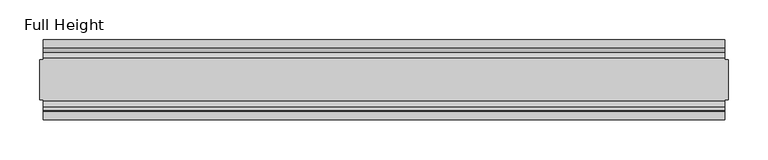
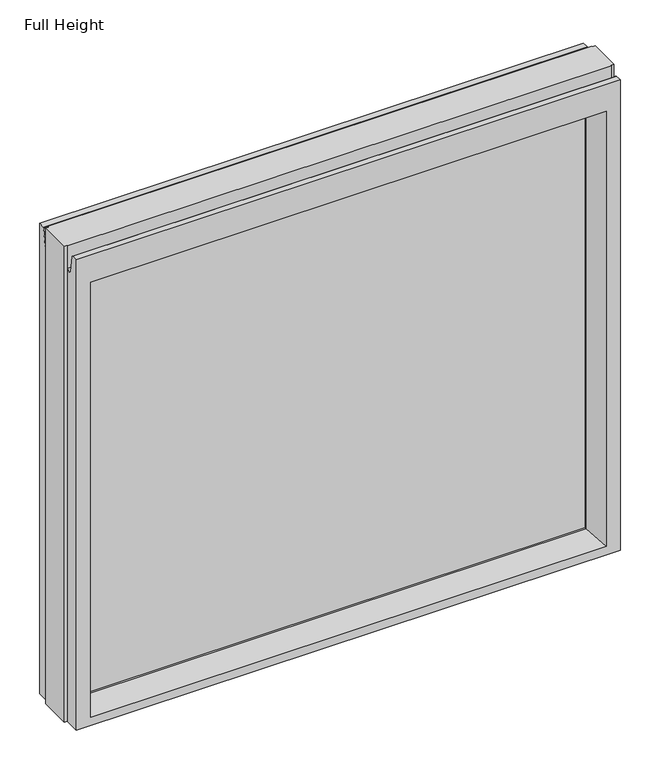
"""IFC4 building model written with IfcOpenShell, lengths in millimetres: plate geometry, Full Height."""

from ifc_helpers import new_model, si_unit, frame, origin, place, context, project, spatial, polyline, circle_curve, outline, extrude, source, transform, mapped, element, save
from ifc_brep_helpers import plane_surface, cylinder_surface, revolved_surface, advanced_brep


def full_height_09c7e475(model_context):
    return source(origin(), model_context, "Body", "SolidModel", [
        advanced_brep(
        [(427.228, -50.0, 0.0), (-427.228, -50.0, 0.0), (-427.228, -25.146, 0.0), (-431.8, -25.146, 0.0), (-431.8, 25.146, 0.0), (-427.228, 25.146, 0.0), (-427.228, 50.0, 0.0), (427.228, 50.0, 0.0), (427.228, 25.146, 0.0), (431.8, 25.146, 0.0), (431.8, -25.146, 0.0), (427.228, -25.146, 0.0), (431.8, -25.146, 789.94), (431.8, 25.146, 789.94), (427.228, 25.146, 789.94), (427.228, 26.67, 789.94), (-427.228, 26.67, 789.94), (-427.228, 25.146, 789.94), (-431.8, 25.146, 789.94), (-431.8, -25.146, 789.94), (-427.228, -25.146, 789.94), (-427.228, -26.67, 789.94), (427.228, -26.67, 789.94), (427.228, -25.146, 789.94), (-427.228, -26.67, 752.729), (427.228, -26.67, 752.729), (-427.228, 26.67, 752.729), (-427.228, 34.2321175, 752.0674004), (-427.228, 39.1867152, 780.1663199), (-427.228, 39.9371387, 780.796), (-427.228, 50.0, 780.796), (-427.228, -50.0, 780.796), (-427.228, -39.9371387, 780.796), (-427.228, -39.1867152, 780.1663199), (-427.228, -34.2321175, 752.0674004), (427.228, 50.0, 780.796), (-405.13, 50.0, 736.219), (-405.13, 50.0, 13.9954), (405.13, 50.0, 13.9954), (405.13, 50.0, 736.219), (427.228, -50.0, 780.796), (-405.13, -50.0, 13.9954), (-405.13, -50.0, 736.219), (405.13, -50.0, 736.219), (405.13, -50.0, 13.9954), (-399.161, 6.1006519, 730.25), (-399.161, 6.1006519, 18.3896), (-399.161, -6.1006519, 18.3896), (-399.161, -6.1006519, 730.25), (399.161, -6.1006519, 730.25), (399.161, -6.1006519, 18.3896), (399.161, 6.1006519, 730.25), (399.161, 6.1006519, 18.3896), (427.228, -34.2321175, 752.0674004), (427.228, -39.1867152, 780.1663199), (427.228, -39.9371387, 780.796), (427.228, 39.9371387, 780.796), (427.228, 39.1867152, 780.1663199), (427.228, 34.2321175, 752.0674004), (427.228, 26.67, 752.729)],
        [
            (0, 1),
            (1, 2),
            (2, 3),
            (3, 4),
            (4, 5),
            (5, 6),
            (6, 7),
            (7, 8),
            (8, 9),
            (9, 10),
            (10, 11),
            (11, 0),
            (12, 13),
            (13, 14),
            (14, 15),
            (15, 16),
            (16, 17),
            (17, 18),
            (18, 19),
            (19, 20),
            (20, 21),
            (21, 22),
            (22, 23),
            (23, 12),
            (10, 12),
            (23, 11),
            (13, 9),
            (8, 14),
            (18, 4),
            (3, 19),
            (17, 5),
            (2, 20),
            (24, 25),
            (25, 22),
            (21, 24),
            (16, 26),
            (26, 27, circle_curve(frame((-427.228, 30.48, 752.729), z_axis=(1.0, 0.0, 0.0), x_axis=(0.0, 1.0, 0.0)), 3.81)),
            (27, 28),
            (28, 29, circle_curve(frame((-427.228, 39.9371387, 780.034), z_axis=(-1.0, 0.0, 0.0), x_axis=(0.0, 1.0, 0.0)), 0.762)),
            (29, 30),
            (30, 6),
            (1, 31),
            (31, 32),
            (32, 33, circle_curve(frame((-427.228, -39.9371387, 780.034), z_axis=(-1.0, 0.0, 0.0), x_axis=(0.0, 1.0, 0.0)), 0.762)),
            (33, 34),
            (34, 24, circle_curve(frame((-427.228, -30.48, 752.729), z_axis=(1.0, 0.0, 0.0), x_axis=(0.0, 1.0, 0.0)), 3.81)),
            (30, 35),
            (35, 7),
            (36, 37),
            (37, 38),
            (38, 39),
            (39, 36),
            (0, 40),
            (40, 31),
            (41, 42),
            (42, 43),
            (43, 44),
            (44, 41),
            (36, 45),
            (45, 46),
            (46, 37),
            (41, 47),
            (47, 48),
            (48, 42),
            (43, 49),
            (49, 50),
            (50, 44),
            (51, 39),
            (38, 52),
            (52, 51),
            (25, 53, circle_curve(frame((427.228, -30.48, 752.729), z_axis=(-1.0, 0.0, 0.0), x_axis=(0.0, 1.0, 0.0)), 3.81)),
            (53, 54),
            (54, 55, circle_curve(frame((427.228, -39.9371387, 780.034), z_axis=(1.0, 0.0, 0.0), x_axis=(0.0, 1.0, 0.0)), 0.762)),
            (55, 40),
            (35, 56),
            (56, 57, circle_curve(frame((427.228, 39.9371387, 780.034), z_axis=(1.0, 0.0, 0.0), x_axis=(0.0, 1.0, 0.0)), 0.762)),
            (57, 58),
            (58, 59, circle_curve(frame((427.228, 30.48, 752.729), z_axis=(-1.0, 0.0, 0.0), x_axis=(0.0, 1.0, 0.0)), 3.81)),
            (59, 15),
            (55, 32),
            (29, 56),
            (59, 26),
            (51, 45),
            (33, 54),
            (53, 34),
            (28, 57),
            (27, 58),
            (46, 52),
            (50, 47),
            (48, 49),
            (51, 49),
            (48, 45),
            (46, 47),
            (50, 52),
        ],
        [
            plane_surface(frame((-427.228, 50.0, 0.0), z_axis=(0.0, 0.0, -1.0), x_axis=(0.0, -1.0, 0.0))),
            plane_surface(frame((427.228, -25.146, 789.94), z_axis=(0.0, 0.0, 1.0), x_axis=(-1.0, 0.0, 0.0))),
            plane_surface(frame((431.8, -25.146, 789.94), z_axis=(0.0, -1.0, 0.0), x_axis=(0.0, 0.0, -1.0))),
            plane_surface(frame((427.228, 25.146, 789.94), z_axis=(0.0, 1.0, 0.0), x_axis=(0.0, 0.0, -1.0))),
            plane_surface(frame((431.8, 25.146, 789.94), z_axis=(1.0, 0.0, 0.0), x_axis=(0.0, 0.0, -1.0))),
            plane_surface(frame((-431.8, -25.146, 789.94), z_axis=(-1.0, 0.0, 0.0), x_axis=(0.0, 0.0, -1.0))),
            plane_surface(frame((-431.8, 25.146, 789.94), z_axis=(0.0, 1.0, 0.0), x_axis=(0.0, 0.0, -1.0))),
            plane_surface(frame((-427.228, -25.146, 789.94), z_axis=(0.0, -1.0, 0.0), x_axis=(0.0, 0.0, -1.0))),
            plane_surface(frame((-427.228, -26.67, 789.94), z_axis=(0.0, -1.0, 0.0), x_axis=(1.0, 0.0, 0.0))),
            plane_surface(frame((-427.228, -50.0, 748.0046), z_axis=(-1.0, 0.0, 0.0), x_axis=(0.0, 0.0, -1.0))),
            plane_surface(frame((-427.228, 50.0, 748.0046), z_axis=(0.0, 1.0, 0.0), x_axis=(0.0, 0.0, -1.0))),
            plane_surface(frame((-405.13, -50.0, 748.0046), z_axis=(0.0, -1.0, 0.0), x_axis=(0.0, 0.0, -1.0))),
            plane_surface(frame((-405.13, 50.0, 748.0046), z_axis=(0.990882294353361, 0.13473039277393772, 0.0), x_axis=(0.0, 0.0, -1.0))),
            plane_surface(frame((-399.161, -6.1006519, 748.0046), z_axis=(0.990882294353361, -0.13473039277393709, 0.0), x_axis=(0.0, 0.0, -1.0))),
            plane_surface(frame((405.13, -50.0, 748.0046), z_axis=(-0.9908822943533626, -0.134730392773925, 0.0), x_axis=(0.0, 0.0, -1.0))),
            plane_surface(frame((399.161, 6.1006519, 748.0046), z_axis=(-0.9908822943533585, 0.13473039277395565, 0.0), x_axis=(0.0, 0.0, -1.0))),
            plane_surface(frame((427.228, 50.0, 748.0046), z_axis=(1.0, 0.0, 0.0), x_axis=(0.0, 0.0, -1.0))),
            plane_surface(frame((-427.228, -39.9371387, 780.796), z_axis=(0.0, 0.0, 1.0), x_axis=(1.0, 0.0, 0.0))),
            plane_surface(frame((-427.228, 50.0, 780.796), z_axis=(0.0, 0.0, 1.0), x_axis=(1.0, 0.0, 0.0))),
            plane_surface(frame((-427.228, 26.67, 752.729), z_axis=(0.0, 1.0, 0.0), x_axis=(1.0, 0.0, 0.0))),
            plane_surface(frame((-427.228, 6.1006519, 730.25), z_axis=(0.0, 0.13473039277393184, -0.9908822943533617), x_axis=(1.0, 0.0, 0.0))),
            plane_surface(frame((-427.228, -34.2321175, 752.0674004), z_axis=(0.0, 0.9848077530122084, 0.17364817766692875), x_axis=(1.0, 0.0, 0.0))),
            revolved_surface(polyline([(427.228, -26.67, 752.729), (-427.228, -26.67, 752.729)]), (427.228, -30.48, 752.729), (1.0, 0.0, 0.0)),
            cylinder_surface(frame((427.228, -39.9371387, 780.034), z_axis=(-1.0, 0.0, 0.0), x_axis=(0.0, 1.0, 0.0)), 0.762),
            cylinder_surface(frame((427.228, 39.9371387, 780.034), z_axis=(-1.0, 0.0, 0.0), x_axis=(0.0, 1.0, 0.0)), 0.762),
            plane_surface(frame((-427.228, 39.1867152, 780.1663199), z_axis=(0.0, -0.9848077530122005, 0.17364817766697394), x_axis=(1.0, 0.0, 0.0))),
            revolved_surface(polyline([(427.228, 34.29, 752.729), (-427.228, 34.29, 752.729)]), (427.228, 30.48, 752.729), (1.0, 0.0, 0.0)),
            plane_surface(frame((-427.228, 50.0, 13.9954), z_axis=(0.0, 0.09959943661133767, 0.9950276138010965), x_axis=(1.0, 0.0, 0.0))),
            plane_surface(frame((-427.228, -6.1006519, 18.3896), z_axis=(0.0, -0.09959943661137731, 0.9950276138010926), x_axis=(1.0, 0.0, 0.0))),
            plane_surface(frame((-427.228, -50.0, 736.219), z_axis=(0.0, -0.13473039277391685, -0.9908822943533637), x_axis=(1.0, 0.0, 0.0))),
            plane_surface(frame((-427.228, -6.1006519, 730.25), z_axis=(0.0, 0.0, -1.0), x_axis=(1.0, 0.0, 0.0))),
            plane_surface(frame((-427.228, 6.1006519, 18.3896), z_axis=(0.0, 0.0, 1.0), x_axis=(1.0, 0.0, 0.0))),
            plane_surface(frame((-399.161, 6.1006519, 748.0046), z_axis=(1.0, 0.0, 0.0), x_axis=(0.0, 0.0, -1.0))),
            plane_surface(frame((399.161, -6.1006519, 748.0046), z_axis=(-1.0, 0.0, 0.0), x_axis=(0.0, 0.0, -1.0))),
        ],
        [
            (0, [[1, 2, 3, 4, 5, 6, 7, 8, 9, 10, 11, 12]]),
            (1, [[13, 14, 15, 16, 17, 18, 19, 20, 21, 22, 23, 24]]),
            (2, [[-11, 25, -24, 26]]),
            (3, [[27, -9, 28, -14]]),
            (4, [[-25, -10, -27, -13]]),
            (5, [[29, -4, 30, -19]]),
            (6, [[-5, -29, -18, 31]]),
            (7, [[-30, -3, 32, -20]]),
            (8, [[33, 34, -22, 35]]),
            (9, [[-31, -17, 36, 37, 38, 39, 40, 41, -6]]),
            (9, [[42, 43, 44, 45, 46, -35, -21, -32, -2]]),
            (10, [[47, 48, -7, -41], [49, 50, 51, 52]]),
            (11, [[53, 54, -42, -1], [55, 56, 57, 58]]),
            (12, [[59, 60, 61, -49]]),
            (13, [[62, 63, 64, -55]]),
            (14, [[65, 66, 67, -57]]),
            (15, [[68, -51, 69, 70]]),
            (16, [[-26, -23, -34, 71, 72, 73, 74, -53, -12]]),
            (16, [[75, 76, 77, 78, 79, -15, -28, -8, -48]]),
            (17, [[-54, -74, 80, -43]]),
            (18, [[81, -75, -47, -40]]),
            (19, [[-16, -79, 82, -36]]),
            (20, [[-68, 83, -59, -52]]),
            (21, [[84, -72, 85, -45]]),
            (22, [[-85, -71, -33, -46]]),
            (23, [[-80, -73, -84, -44]]),
            (24, [[86, -76, -81, -39]]),
            (25, [[87, -77, -86, -38]]),
            (26, [[-82, -78, -87, -37]]),
            (27, [[-61, 88, -69, -50]]),
            (28, [[-67, 89, -62, -58]]),
            (29, [[-64, 90, -65, -56]]),
            (30, [[91, -90, 92, -83]]),
            (31, [[93, -89, 94, -88]]),
            (32, [[-93, -60, -92, -63]]),
            (33, [[-94, -66, -91, -70]]),
        ],
    ),
        extrude(outline(polyline([(-399.161, -3.175), (-399.161, 3.175), (399.161, 3.175), (399.161, -3.175), (-399.161, -3.175)])), frame((0.0, 0.0, 18.3896), z_axis=(0.0, 0.0, 1.0), x_axis=(1.0, 0.0, 0.0)), (0.0, 0.0, 1.0), 711.8604),
    ])


if __name__ == "__main__":
    model = new_model("IFC4")
    model_context = context("Model", 3, world=origin())
    ifc_project = project(units=[si_unit("LENGTHUNIT", "METRE", prefix="MILLI")], contexts=[model_context])
    site = spatial("IfcSite", under=ifc_project)
    building = spatial("IfcBuilding", under=site)
    placement = place(None, origin())
    full_height_shape = full_height_09c7e475(model_context)
    element("IfcPlate", 1, ObjectType="Full Height", at=placement, inside=building, context=model_context, shape_type="MappedRepresentation", body=[
        mapped(full_height_shape, transform((0.0, 0.0, 0.0), x_axis=(1.0, 0.0, 0.0), y_axis=(0.0, 1.0, 0.0), z_axis=(0.0, 0.0, 1.0))),
    ])
    save(model, "model.ifc")
